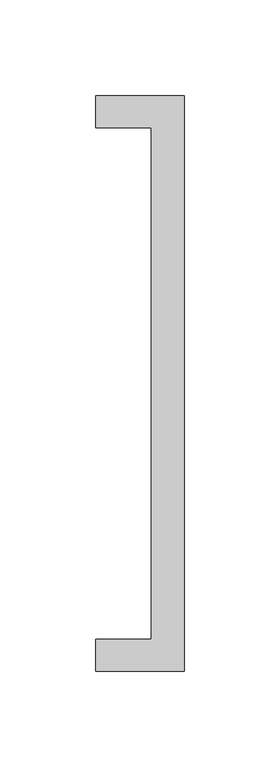
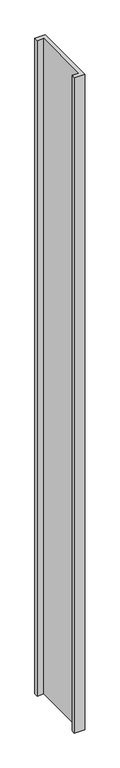
"""IFC4 building model written with IfcOpenShell, lengths in millimetres: proxy geometry."""

from ifc_helpers import new_model, si_unit, origin, origin_with_axes, place, context, project, spatial, polyline, outline, extrude, source, transform, mapped, element, save


def specialty_equipment_a19f4197(model_context):
    return source(origin(), model_context, "Body", "SweptSolid", [
        extrude(outline(polyline([(1338.9581075, 275.7859375), (1309.9581075, 275.7859375), (1309.9581075, 292.2859375), (1355.9581075, 292.2859375), (1355.9581075, -7.7140625), (1309.9581075, -7.7140625), (1309.9581075, 8.7859375), (1338.9581075, 8.7859375), (1338.9581075, 275.7859375)])), origin_with_axes(), (0.0, 0.0, 1.0), 3048.0),
    ])


if __name__ == "__main__":
    model = new_model("IFC4")
    model_context = context("Model", 3, world=origin())
    ifc_project = project(units=[si_unit("LENGTHUNIT", "METRE", prefix="MILLI")], contexts=[model_context])
    site = spatial("IfcSite", under=ifc_project)
    building = spatial("IfcBuilding", under=site)
    placement = place(None, origin())
    specialty_equipment_shape = specialty_equipment_a19f4197(model_context)
    element("IfcBuildingElementProxy", 1, Name="Specialty Equipment", at=placement, inside=building, context=model_context, shape_type="MappedRepresentation", body=[
        mapped(specialty_equipment_shape, transform((0.0, 0.0, 0.0), x_axis=(1.0, 0.0, 0.0), y_axis=(0.0, 1.0, 0.0), z_axis=(0.0, 0.0, 1.0))),
    ])
    save(model, "model.ifc")
